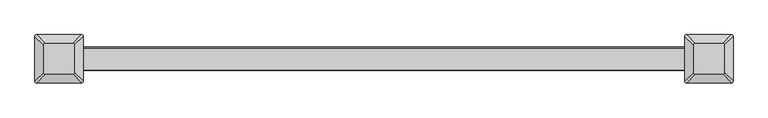
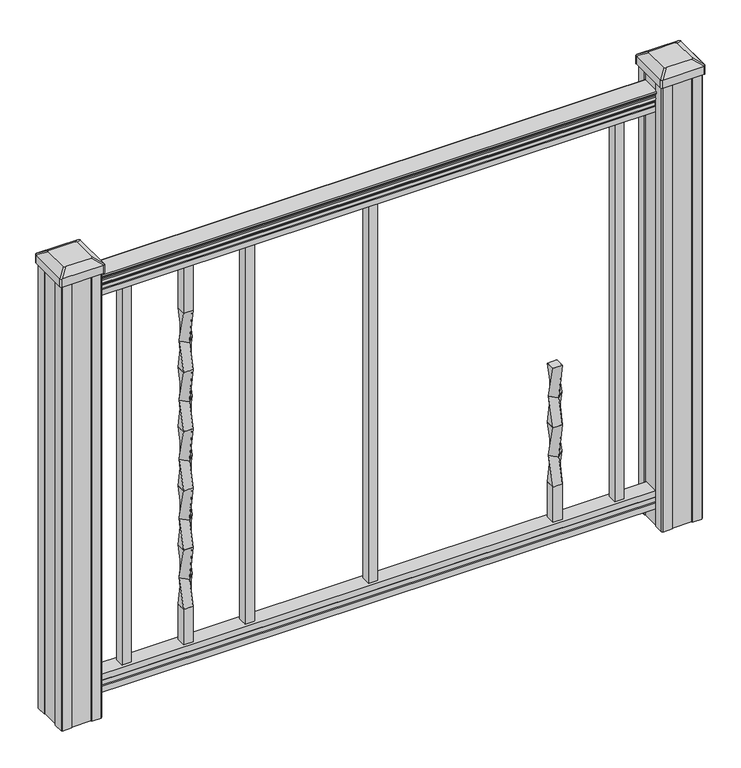
"""IFC4 building model written with IfcOpenShell, lengths in millimetres: proxy geometry."""

from ifc_helpers import new_model, si_unit, point, frame, frame_2d, origin, place, context, project, spatial, polyline, circle_curve, trimmed, segment, composite_curve, outline, extrude, source, transform, mapped, element, save
from ifc_brep_helpers import plane_surface, extruded_surface, spline_surface, advanced_brep


def specialty_equipment_335144c7(model_context):
    return source(origin(), model_context, "Body", "SolidModel", [
        advanced_brep(
        [(365.521875, 9.525, 431.8), (365.521875, -9.525, 431.8), (384.571875, -9.525, 431.8), (384.571875, 9.525, 431.8), (375.046875, 13.4703842, 368.3), (388.5172592, 0.0, 368.3), (375.046875, -13.4703842, 368.3), (361.5764908, 0.0, 368.3)],
        [
            (0, 1),
            (1, 2),
            (2, 3),
            (3, 0),
            (4, 5),
            (5, 6),
            (6, 7),
            (7, 4),
            (4, 0),
            (3, 5),
            (2, 6),
            (1, 7),
        ],
        [
            plane_surface(frame((375.046875, 0.0, 431.8), z_axis=(0.0, 0.0, 1.0), x_axis=(0.0, -1.0, 0.0))),
            plane_surface(frame((375.046875, 0.0, 368.3), z_axis=(0.0, 0.0, -1.0), x_axis=(0.0, -1.0, 0.0))),
            spline_surface(1, 1, [[(388.5172592, 0.0, 368.3), (384.571875, 9.525, 431.8)], [(375.046875, 13.4703842, 368.3), (365.521875, 9.525, 431.8)]], [2, 2], [2, 2], [0.0, 1.0], [0.0, 1.0]),
            spline_surface(1, 1, [[(375.046875, -13.4703842, 368.3), (384.571875, -9.525, 431.8)], [(388.5172592, 0.0, 368.3), (384.571875, 9.525, 431.8)]], [2, 2], [2, 2], [0.0, 1.0], [0.0, 1.0]),
            spline_surface(1, 1, [[(361.5764908, 0.0, 368.3), (365.521875, -9.525, 431.8)], [(375.046875, -13.4703842, 368.3), (384.571875, -9.525, 431.8)]], [2, 2], [2, 2], [0.0, 1.0], [0.0, 1.0]),
            spline_surface(1, 1, [[(375.046875, 13.4703842, 368.3), (365.521875, 9.525, 431.8)], [(361.5764908, 0.0, 368.3), (365.521875, -9.525, 431.8)]], [2, 2], [2, 2], [0.0, 1.0], [0.0, 1.0]),
        ],
        [
            (0, [[1, 2, 3, 4]]),
            (1, [[5, 6, 7, 8]]),
            (2, [[-5, 9, -4, 10]]),
            (3, [[-6, -10, -3, 11]]),
            (4, [[-7, -11, -2, 12]]),
            (5, [[-8, -12, -1, -9]]),
        ],
    ),
        advanced_brep(
        [(375.046875, 13.4703842, 368.3), (361.5764908, 0.0, 368.3), (375.046875, -13.4703842, 368.3), (388.5172592, 0.0, 368.3), (365.521875, 9.525, 304.8), (384.571875, 9.525, 304.8), (384.571875, -9.525, 304.8), (365.521875, -9.525, 304.8)],
        [
            (0, 1),
            (1, 2),
            (2, 3),
            (3, 0),
            (4, 5),
            (5, 6),
            (6, 7),
            (7, 4),
            (4, 0),
            (3, 5),
            (2, 6),
            (1, 7),
        ],
        [
            plane_surface(frame((375.046875, 0.0, 368.3), z_axis=(0.0, 0.0, 1.0000000000000002), x_axis=(0.7071067811865481, -0.707106781186547, 0.0))),
            plane_surface(frame((375.046875, 0.0, 304.8), z_axis=(0.0, 0.0, -1.0000000000000002), x_axis=(0.7071067811865481, -0.707106781186547, 0.0))),
            spline_surface(1, 1, [[(384.571875, 9.525, 304.8), (388.5172592, 0.0, 368.3)], [(365.521875, 9.525, 304.8), (375.046875, 13.4703842, 368.3)]], [2, 2], [2, 2], [0.0, 1.0], [0.0, 1.0]),
            spline_surface(1, 1, [[(384.571875, -9.525, 304.8), (375.046875, -13.4703842, 368.3)], [(384.571875, 9.525, 304.8), (388.5172592, 0.0, 368.3)]], [2, 2], [2, 2], [0.0, 1.0], [0.0, 1.0]),
            spline_surface(1, 1, [[(365.521875, -9.525, 304.8), (361.5764908, 0.0, 368.3)], [(384.571875, -9.525, 304.8), (375.046875, -13.4703842, 368.3)]], [2, 2], [2, 2], [0.0, 1.0], [0.0, 1.0]),
            spline_surface(1, 1, [[(365.521875, 9.525, 304.8), (375.046875, 13.4703842, 368.3)], [(365.521875, -9.525, 304.8), (361.5764908, 0.0, 368.3)]], [2, 2], [2, 2], [0.0, 1.0], [0.0, 1.0]),
        ],
        [
            (0, [[1, 2, 3, 4]]),
            (1, [[5, 6, 7, 8]]),
            (2, [[-5, 9, -4, 10]]),
            (3, [[-6, -10, -3, 11]]),
            (4, [[-7, -11, -2, 12]]),
            (5, [[-8, -12, -1, -9]]),
        ],
    ),
        advanced_brep(
        [(365.521875, 9.525, 304.8), (365.521875, -9.525, 304.8), (384.571875, -9.525, 304.8), (384.571875, 9.525, 304.8), (375.046875, 13.4703842, 241.3), (388.5172592, 0.0, 241.3), (375.046875, -13.4703842, 241.3), (361.5764908, 0.0, 241.3)],
        [
            (0, 1),
            (1, 2),
            (2, 3),
            (3, 0),
            (4, 5),
            (5, 6),
            (6, 7),
            (7, 4),
            (4, 0),
            (3, 5),
            (2, 6),
            (1, 7),
        ],
        [
            plane_surface(frame((375.046875, 0.0, 304.8), z_axis=(0.0, 0.0, 1.0), x_axis=(0.0, -1.0, 0.0))),
            plane_surface(frame((375.046875, 0.0, 241.3), z_axis=(0.0, 0.0, -1.0), x_axis=(0.0, -1.0, 0.0))),
            spline_surface(1, 1, [[(388.5172592, 0.0, 241.3), (384.571875, 9.525, 304.8)], [(375.046875, 13.4703842, 241.3), (365.521875, 9.525, 304.8)]], [2, 2], [2, 2], [0.0, 1.0], [0.0, 1.0]),
            spline_surface(1, 1, [[(375.046875, -13.4703842, 241.3), (384.571875, -9.525, 304.8)], [(388.5172592, 0.0, 241.3), (384.571875, 9.525, 304.8)]], [2, 2], [2, 2], [0.0, 1.0], [0.0, 1.0]),
            spline_surface(1, 1, [[(361.5764908, 0.0, 241.3), (365.521875, -9.525, 304.8)], [(375.046875, -13.4703842, 241.3), (384.571875, -9.525, 304.8)]], [2, 2], [2, 2], [0.0, 1.0], [0.0, 1.0]),
            spline_surface(1, 1, [[(375.046875, 13.4703842, 241.3), (365.521875, 9.525, 304.8)], [(361.5764908, 0.0, 241.3), (365.521875, -9.525, 304.8)]], [2, 2], [2, 2], [0.0, 1.0], [0.0, 1.0]),
        ],
        [
            (0, [[1, 2, 3, 4]]),
            (1, [[5, 6, 7, 8]]),
            (2, [[-5, 9, -4, 10]]),
            (3, [[-6, -10, -3, 11]]),
            (4, [[-7, -11, -2, 12]]),
            (5, [[-8, -12, -1, -9]]),
        ],
    ),
        advanced_brep(
        [(375.046875, 13.4703842, 241.3), (361.5764908, 0.0, 241.3), (375.046875, -13.4703842, 241.3), (388.5172592, 0.0, 241.3), (365.521875, 9.525, 177.8), (384.571875, 9.525, 177.8), (384.571875, -9.525, 177.8), (365.521875, -9.525, 177.8)],
        [
            (0, 1),
            (1, 2),
            (2, 3),
            (3, 0),
            (4, 5),
            (5, 6),
            (6, 7),
            (7, 4),
            (4, 0),
            (3, 5),
            (2, 6),
            (1, 7),
        ],
        [
            plane_surface(frame((375.046875, 0.0, 241.3), z_axis=(0.0, 0.0, 1.0000000000000002), x_axis=(0.7071067811865481, -0.707106781186547, 0.0))),
            plane_surface(frame((375.046875, 0.0, 177.8), z_axis=(0.0, 0.0, -1.0000000000000002), x_axis=(0.7071067811865481, -0.707106781186547, 0.0))),
            spline_surface(1, 1, [[(384.571875, 9.525, 177.8), (388.5172592, 0.0, 241.3)], [(365.521875, 9.525, 177.8), (375.046875, 13.4703842, 241.3)]], [2, 2], [2, 2], [0.0, 1.0], [0.0, 1.0]),
            spline_surface(1, 1, [[(384.571875, -9.525, 177.8), (375.046875, -13.4703842, 241.3)], [(384.571875, 9.525, 177.8), (388.5172592, 0.0, 241.3)]], [2, 2], [2, 2], [0.0, 1.0], [0.0, 1.0]),
            spline_surface(1, 1, [[(365.521875, -9.525, 177.8), (361.5764908, 0.0, 241.3)], [(384.571875, -9.525, 177.8), (375.046875, -13.4703842, 241.3)]], [2, 2], [2, 2], [0.0, 1.0], [0.0, 1.0]),
            spline_surface(1, 1, [[(365.521875, 9.525, 177.8), (375.046875, 13.4703842, 241.3)], [(365.521875, -9.525, 177.8), (361.5764908, 0.0, 241.3)]], [2, 2], [2, 2], [0.0, 1.0], [0.0, 1.0]),
        ],
        [
            (0, [[1, 2, 3, 4]]),
            (1, [[5, 6, 7, 8]]),
            (2, [[-5, 9, -4, 10]]),
            (3, [[-6, -10, -3, 11]]),
            (4, [[-7, -11, -2, 12]]),
            (5, [[-8, -12, -1, -9]]),
        ],
    ),
        extrude(outline(polyline([(384.571875, 9.525), (384.571875, -9.525), (365.521875, -9.525), (365.521875, 9.525), (384.571875, 9.525)])), frame((0.0, 0.0, 101.6), z_axis=(0.0, 0.0, 1.0), x_axis=(1.0, 0.0, 0.0)), (0.0, 0.0, 1.0), 76.2),
        extrude(outline(polyline([(-365.521875, 9.525), (-365.521875, -9.525), (-384.571875, -9.525), (-384.571875, 9.525), (-365.521875, 9.525)])), frame((0.0, 0.0, 812.8), z_axis=(0.0, 0.0, 1.0), x_axis=(1.0, 0.0, 0.0)), (0.0, 0.0, 1.0), 101.6),
        advanced_brep(
        [(-384.571875, 9.525, 812.8), (-384.571875, -9.525, 812.8), (-365.521875, -9.525, 812.8), (-365.521875, 9.525, 812.8), (-375.046875, 13.4703842, 749.3), (-361.5764908, 0.0, 749.3), (-375.046875, -13.4703842, 749.3), (-388.5172592, 0.0, 749.3)],
        [
            (0, 1),
            (1, 2),
            (2, 3),
            (3, 0),
            (4, 5),
            (5, 6),
            (6, 7),
            (7, 4),
            (4, 0),
            (3, 5),
            (2, 6),
            (1, 7),
        ],
        [
            plane_surface(frame((-375.046875, 0.0, 812.8), z_axis=(0.0, 0.0, 1.0), x_axis=(0.0, -1.0, 0.0))),
            plane_surface(frame((-375.046875, 0.0, 749.3), z_axis=(0.0, 0.0, -1.0), x_axis=(0.0, -1.0, 0.0))),
            spline_surface(1, 1, [[(-361.5764908, 0.0, 749.3), (-365.521875, 9.525, 812.8)], [(-375.046875, 13.4703842, 749.3), (-384.571875, 9.525, 812.8)]], [2, 2], [2, 2], [0.0, 1.0], [0.0, 1.0]),
            spline_surface(1, 1, [[(-375.046875, -13.4703842, 749.3), (-365.521875, -9.525, 812.8)], [(-361.5764908, 0.0, 749.3), (-365.521875, 9.525, 812.8)]], [2, 2], [2, 2], [0.0, 1.0], [0.0, 1.0]),
            spline_surface(1, 1, [[(-388.5172592, 0.0, 749.3), (-384.571875, -9.525, 812.8)], [(-375.046875, -13.4703842, 749.3), (-365.521875, -9.525, 812.8)]], [2, 2], [2, 2], [0.0, 1.0], [0.0, 1.0]),
            spline_surface(1, 1, [[(-375.046875, 13.4703842, 749.3), (-384.571875, 9.525, 812.8)], [(-388.5172592, 0.0, 749.3), (-384.571875, -9.525, 812.8)]], [2, 2], [2, 2], [0.0, 1.0], [0.0, 1.0]),
        ],
        [
            (0, [[1, 2, 3, 4]]),
            (1, [[5, 6, 7, 8]]),
            (2, [[-5, 9, -4, 10]]),
            (3, [[-6, -10, -3, 11]]),
            (4, [[-7, -11, -2, 12]]),
            (5, [[-8, -12, -1, -9]]),
        ],
    ),
        advanced_brep(
        [(-375.046875, 13.4703842, 749.3), (-388.5172592, 0.0, 749.3), (-375.046875, -13.4703842, 749.3), (-361.5764908, 0.0, 749.3), (-384.571875, 9.525, 685.8), (-365.521875, 9.525, 685.8), (-365.521875, -9.525, 685.8), (-384.571875, -9.525, 685.8)],
        [
            (0, 1),
            (1, 2),
            (2, 3),
            (3, 0),
            (4, 5),
            (5, 6),
            (6, 7),
            (7, 4),
            (4, 0),
            (3, 5),
            (2, 6),
            (1, 7),
        ],
        [
            plane_surface(frame((-375.046875, 0.0, 749.3), z_axis=(0.0, 0.0, 1.0000000000000002), x_axis=(0.7071067811865481, -0.707106781186547, 0.0))),
            plane_surface(frame((-375.046875, 0.0, 685.8), z_axis=(0.0, 0.0, -1.0000000000000002), x_axis=(0.7071067811865481, -0.707106781186547, 0.0))),
            spline_surface(1, 1, [[(-365.521875, 9.525, 685.8), (-361.5764908, 0.0, 749.3)], [(-384.571875, 9.525, 685.8), (-375.046875, 13.4703842, 749.3)]], [2, 2], [2, 2], [0.0, 1.0], [0.0, 1.0]),
            spline_surface(1, 1, [[(-365.521875, -9.525, 685.8), (-375.046875, -13.4703842, 749.3)], [(-365.521875, 9.525, 685.8), (-361.5764908, 0.0, 749.3)]], [2, 2], [2, 2], [0.0, 1.0], [0.0, 1.0]),
            spline_surface(1, 1, [[(-384.571875, -9.525, 685.8), (-388.5172592, 0.0, 749.3)], [(-365.521875, -9.525, 685.8), (-375.046875, -13.4703842, 749.3)]], [2, 2], [2, 2], [0.0, 1.0], [0.0, 1.0]),
            spline_surface(1, 1, [[(-384.571875, 9.525, 685.8), (-375.046875, 13.4703842, 749.3)], [(-384.571875, -9.525, 685.8), (-388.5172592, 0.0, 749.3)]], [2, 2], [2, 2], [0.0, 1.0], [0.0, 1.0]),
        ],
        [
            (0, [[1, 2, 3, 4]]),
            (1, [[5, 6, 7, 8]]),
            (2, [[-5, 9, -4, 10]]),
            (3, [[-6, -10, -3, 11]]),
            (4, [[-7, -11, -2, 12]]),
            (5, [[-8, -12, -1, -9]]),
        ],
    ),
        advanced_brep(
        [(-384.571875, 9.525, 685.8), (-384.571875, -9.525, 685.8), (-365.521875, -9.525, 685.8), (-365.521875, 9.525, 685.8), (-375.046875, 13.4703842, 622.3), (-361.5764908, 0.0, 622.3), (-375.046875, -13.4703842, 622.3), (-388.5172592, 0.0, 622.3)],
        [
            (0, 1),
            (1, 2),
            (2, 3),
            (3, 0),
            (4, 5),
            (5, 6),
            (6, 7),
            (7, 4),
            (4, 0),
            (3, 5),
            (2, 6),
            (1, 7),
        ],
        [
            plane_surface(frame((-375.046875, 0.0, 685.8), z_axis=(0.0, 0.0, 1.0), x_axis=(0.0, -1.0, 0.0))),
            plane_surface(frame((-375.046875, 0.0, 622.3), z_axis=(0.0, 0.0, -1.0), x_axis=(0.0, -1.0, 0.0))),
            spline_surface(1, 1, [[(-361.5764908, 0.0, 622.3), (-365.521875, 9.525, 685.8)], [(-375.046875, 13.4703842, 622.3), (-384.571875, 9.525, 685.8)]], [2, 2], [2, 2], [0.0, 1.0], [0.0, 1.0]),
            spline_surface(1, 1, [[(-375.046875, -13.4703842, 622.3), (-365.521875, -9.525, 685.8)], [(-361.5764908, 0.0, 622.3), (-365.521875, 9.525, 685.8)]], [2, 2], [2, 2], [0.0, 1.0], [0.0, 1.0]),
            spline_surface(1, 1, [[(-388.5172592, 0.0, 622.3), (-384.571875, -9.525, 685.8)], [(-375.046875, -13.4703842, 622.3), (-365.521875, -9.525, 685.8)]], [2, 2], [2, 2], [0.0, 1.0], [0.0, 1.0]),
            spline_surface(1, 1, [[(-375.046875, 13.4703842, 622.3), (-384.571875, 9.525, 685.8)], [(-388.5172592, 0.0, 622.3), (-384.571875, -9.525, 685.8)]], [2, 2], [2, 2], [0.0, 1.0], [0.0, 1.0]),
        ],
        [
            (0, [[1, 2, 3, 4]]),
            (1, [[5, 6, 7, 8]]),
            (2, [[-5, 9, -4, 10]]),
            (3, [[-6, -10, -3, 11]]),
            (4, [[-7, -11, -2, 12]]),
            (5, [[-8, -12, -1, -9]]),
        ],
    ),
        advanced_brep(
        [(-375.046875, 13.4703842, 622.3), (-388.5172592, 0.0, 622.3), (-375.046875, -13.4703842, 622.3), (-361.5764908, 0.0, 622.3), (-384.571875, 9.525, 558.8), (-365.521875, 9.525, 558.8), (-365.521875, -9.525, 558.8), (-384.571875, -9.525, 558.8)],
        [
            (0, 1),
            (1, 2),
            (2, 3),
            (3, 0),
            (4, 5),
            (5, 6),
            (6, 7),
            (7, 4),
            (4, 0),
            (3, 5),
            (2, 6),
            (1, 7),
        ],
        [
            plane_surface(frame((-375.046875, 0.0, 622.3), z_axis=(0.0, 0.0, 1.0000000000000002), x_axis=(0.7071067811865481, -0.707106781186547, 0.0))),
            plane_surface(frame((-375.046875, 0.0, 558.8), z_axis=(0.0, 0.0, -1.0000000000000002), x_axis=(0.7071067811865481, -0.707106781186547, 0.0))),
            spline_surface(1, 1, [[(-365.521875, 9.525, 558.8), (-361.5764908, 0.0, 622.3)], [(-384.571875, 9.525, 558.8), (-375.046875, 13.4703842, 622.3)]], [2, 2], [2, 2], [0.0, 1.0], [0.0, 1.0]),
            spline_surface(1, 1, [[(-365.521875, -9.525, 558.8), (-375.046875, -13.4703842, 622.3)], [(-365.521875, 9.525, 558.8), (-361.5764908, 0.0, 622.3)]], [2, 2], [2, 2], [0.0, 1.0], [0.0, 1.0]),
            spline_surface(1, 1, [[(-384.571875, -9.525, 558.8), (-388.5172592, 0.0, 622.3)], [(-365.521875, -9.525, 558.8), (-375.046875, -13.4703842, 622.3)]], [2, 2], [2, 2], [0.0, 1.0], [0.0, 1.0]),
            spline_surface(1, 1, [[(-384.571875, 9.525, 558.8), (-375.046875, 13.4703842, 622.3)], [(-384.571875, -9.525, 558.8), (-388.5172592, 0.0, 622.3)]], [2, 2], [2, 2], [0.0, 1.0], [0.0, 1.0]),
        ],
        [
            (0, [[1, 2, 3, 4]]),
            (1, [[5, 6, 7, 8]]),
            (2, [[-5, 9, -4, 10]]),
            (3, [[-6, -10, -3, 11]]),
            (4, [[-7, -11, -2, 12]]),
            (5, [[-8, -12, -1, -9]]),
        ],
    ),
        advanced_brep(
        [(-384.571875, 9.525, 558.8), (-384.571875, -9.525, 558.8), (-365.521875, -9.525, 558.8), (-365.521875, 9.525, 558.8), (-375.046875, 13.4703842, 495.3), (-361.5764908, 0.0, 495.3), (-375.046875, -13.4703842, 495.3), (-388.5172592, 0.0, 495.3)],
        [
            (0, 1),
            (1, 2),
            (2, 3),
            (3, 0),
            (4, 5),
            (5, 6),
            (6, 7),
            (7, 4),
            (4, 0),
            (3, 5),
            (2, 6),
            (1, 7),
        ],
        [
            plane_surface(frame((-375.046875, 0.0, 558.8), z_axis=(0.0, 0.0, 1.0), x_axis=(0.0, -1.0, 0.0))),
            plane_surface(frame((-375.046875, 0.0, 495.3), z_axis=(0.0, 0.0, -1.0), x_axis=(0.0, -1.0, 0.0))),
            spline_surface(1, 1, [[(-361.5764908, 0.0, 495.3), (-365.521875, 9.525, 558.8)], [(-375.046875, 13.4703842, 495.3), (-384.571875, 9.525, 558.8)]], [2, 2], [2, 2], [0.0, 1.0], [0.0, 1.0]),
            spline_surface(1, 1, [[(-375.046875, -13.4703842, 495.3), (-365.521875, -9.525, 558.8)], [(-361.5764908, 0.0, 495.3), (-365.521875, 9.525, 558.8)]], [2, 2], [2, 2], [0.0, 1.0], [0.0, 1.0]),
            spline_surface(1, 1, [[(-388.5172592, 0.0, 495.3), (-384.571875, -9.525, 558.8)], [(-375.046875, -13.4703842, 495.3), (-365.521875, -9.525, 558.8)]], [2, 2], [2, 2], [0.0, 1.0], [0.0, 1.0]),
            spline_surface(1, 1, [[(-375.046875, 13.4703842, 495.3), (-384.571875, 9.525, 558.8)], [(-388.5172592, 0.0, 495.3), (-384.571875, -9.525, 558.8)]], [2, 2], [2, 2], [0.0, 1.0], [0.0, 1.0]),
        ],
        [
            (0, [[1, 2, 3, 4]]),
            (1, [[5, 6, 7, 8]]),
            (2, [[-5, 9, -4, 10]]),
            (3, [[-6, -10, -3, 11]]),
            (4, [[-7, -11, -2, 12]]),
            (5, [[-8, -12, -1, -9]]),
        ],
    ),
        advanced_brep(
        [(-375.046875, 13.4703842, 495.3), (-388.5172592, 0.0, 495.3), (-375.046875, -13.4703842, 495.3), (-361.5764908, 0.0, 495.3), (-384.571875, 9.525, 431.8), (-365.521875, 9.525, 431.8), (-365.521875, -9.525, 431.8), (-384.571875, -9.525, 431.8)],
        [
            (0, 1),
            (1, 2),
            (2, 3),
            (3, 0),
            (4, 5),
            (5, 6),
            (6, 7),
            (7, 4),
            (4, 0),
            (3, 5),
            (2, 6),
            (1, 7),
        ],
        [
            plane_surface(frame((-375.046875, 0.0, 495.3), z_axis=(0.0, 0.0, 1.0000000000000002), x_axis=(0.7071067811865481, -0.707106781186547, 0.0))),
            plane_surface(frame((-375.046875, 0.0, 431.8), z_axis=(0.0, 0.0, -1.0000000000000002), x_axis=(0.7071067811865481, -0.707106781186547, 0.0))),
            spline_surface(1, 1, [[(-365.521875, 9.525, 431.8), (-361.5764908, 0.0, 495.3)], [(-384.571875, 9.525, 431.8), (-375.046875, 13.4703842, 495.3)]], [2, 2], [2, 2], [0.0, 1.0], [0.0, 1.0]),
            spline_surface(1, 1, [[(-365.521875, -9.525, 431.8), (-375.046875, -13.4703842, 495.3)], [(-365.521875, 9.525, 431.8), (-361.5764908, 0.0, 495.3)]], [2, 2], [2, 2], [0.0, 1.0], [0.0, 1.0]),
            spline_surface(1, 1, [[(-384.571875, -9.525, 431.8), (-388.5172592, 0.0, 495.3)], [(-365.521875, -9.525, 431.8), (-375.046875, -13.4703842, 495.3)]], [2, 2], [2, 2], [0.0, 1.0], [0.0, 1.0]),
            spline_surface(1, 1, [[(-384.571875, 9.525, 431.8), (-375.046875, 13.4703842, 495.3)], [(-384.571875, -9.525, 431.8), (-388.5172592, 0.0, 495.3)]], [2, 2], [2, 2], [0.0, 1.0], [0.0, 1.0]),
        ],
        [
            (0, [[1, 2, 3, 4]]),
            (1, [[5, 6, 7, 8]]),
            (2, [[-5, 9, -4, 10]]),
            (3, [[-6, -10, -3, 11]]),
            (4, [[-7, -11, -2, 12]]),
            (5, [[-8, -12, -1, -9]]),
        ],
    ),
        advanced_brep(
        [(-384.571875, 9.525, 431.8), (-384.571875, -9.525, 431.8), (-365.521875, -9.525, 431.8), (-365.521875, 9.525, 431.8), (-375.046875, 13.4703842, 368.3), (-361.5764908, 0.0, 368.3), (-375.046875, -13.4703842, 368.3), (-388.5172592, 0.0, 368.3)],
        [
            (0, 1),
            (1, 2),
            (2, 3),
            (3, 0),
            (4, 5),
            (5, 6),
            (6, 7),
            (7, 4),
            (4, 0),
            (3, 5),
            (2, 6),
            (1, 7),
        ],
        [
            plane_surface(frame((-375.046875, 0.0, 431.8), z_axis=(0.0, 0.0, 1.0), x_axis=(0.0, -1.0, 0.0))),
            plane_surface(frame((-375.046875, 0.0, 368.3), z_axis=(0.0, 0.0, -1.0), x_axis=(0.0, -1.0, 0.0))),
            spline_surface(1, 1, [[(-361.5764908, 0.0, 368.3), (-365.521875, 9.525, 431.8)], [(-375.046875, 13.4703842, 368.3), (-384.571875, 9.525, 431.8)]], [2, 2], [2, 2], [0.0, 1.0], [0.0, 1.0]),
            spline_surface(1, 1, [[(-375.046875, -13.4703842, 368.3), (-365.521875, -9.525, 431.8)], [(-361.5764908, 0.0, 368.3), (-365.521875, 9.525, 431.8)]], [2, 2], [2, 2], [0.0, 1.0], [0.0, 1.0]),
            spline_surface(1, 1, [[(-388.5172592, 0.0, 368.3), (-384.571875, -9.525, 431.8)], [(-375.046875, -13.4703842, 368.3), (-365.521875, -9.525, 431.8)]], [2, 2], [2, 2], [0.0, 1.0], [0.0, 1.0]),
            spline_surface(1, 1, [[(-375.046875, 13.4703842, 368.3), (-384.571875, 9.525, 431.8)], [(-388.5172592, 0.0, 368.3), (-384.571875, -9.525, 431.8)]], [2, 2], [2, 2], [0.0, 1.0], [0.0, 1.0]),
        ],
        [
            (0, [[1, 2, 3, 4]]),
            (1, [[5, 6, 7, 8]]),
            (2, [[-5, 9, -4, 10]]),
            (3, [[-6, -10, -3, 11]]),
            (4, [[-7, -11, -2, 12]]),
            (5, [[-8, -12, -1, -9]]),
        ],
    ),
        advanced_brep(
        [(-375.046875, 13.4703842, 368.3), (-388.5172592, 0.0, 368.3), (-375.046875, -13.4703842, 368.3), (-361.5764908, 0.0, 368.3), (-384.571875, 9.525, 304.8), (-365.521875, 9.525, 304.8), (-365.521875, -9.525, 304.8), (-384.571875, -9.525, 304.8)],
        [
            (0, 1),
            (1, 2),
            (2, 3),
            (3, 0),
            (4, 5),
            (5, 6),
            (6, 7),
            (7, 4),
            (4, 0),
            (3, 5),
            (2, 6),
            (1, 7),
        ],
        [
            plane_surface(frame((-375.046875, 0.0, 368.3), z_axis=(0.0, 0.0, 1.0000000000000002), x_axis=(0.7071067811865481, -0.707106781186547, 0.0))),
            plane_surface(frame((-375.046875, 0.0, 304.8), z_axis=(0.0, 0.0, -1.0000000000000002), x_axis=(0.7071067811865481, -0.707106781186547, 0.0))),
            spline_surface(1, 1, [[(-365.521875, 9.525, 304.8), (-361.5764908, 0.0, 368.3)], [(-384.571875, 9.525, 304.8), (-375.046875, 13.4703842, 368.3)]], [2, 2], [2, 2], [0.0, 1.0], [0.0, 1.0]),
            spline_surface(1, 1, [[(-365.521875, -9.525, 304.8), (-375.046875, -13.4703842, 368.3)], [(-365.521875, 9.525, 304.8), (-361.5764908, 0.0, 368.3)]], [2, 2], [2, 2], [0.0, 1.0], [0.0, 1.0]),
            spline_surface(1, 1, [[(-384.571875, -9.525, 304.8), (-388.5172592, 0.0, 368.3)], [(-365.521875, -9.525, 304.8), (-375.046875, -13.4703842, 368.3)]], [2, 2], [2, 2], [0.0, 1.0], [0.0, 1.0]),
            spline_surface(1, 1, [[(-384.571875, 9.525, 304.8), (-375.046875, 13.4703842, 368.3)], [(-384.571875, -9.525, 304.8), (-388.5172592, 0.0, 368.3)]], [2, 2], [2, 2], [0.0, 1.0], [0.0, 1.0]),
        ],
        [
            (0, [[1, 2, 3, 4]]),
            (1, [[5, 6, 7, 8]]),
            (2, [[-5, 9, -4, 10]]),
            (3, [[-6, -10, -3, 11]]),
            (4, [[-7, -11, -2, 12]]),
            (5, [[-8, -12, -1, -9]]),
        ],
    ),
        advanced_brep(
        [(-384.571875, 9.525, 304.8), (-384.571875, -9.525, 304.8), (-365.521875, -9.525, 304.8), (-365.521875, 9.525, 304.8), (-375.046875, 13.4703842, 241.3), (-361.5764908, 0.0, 241.3), (-375.046875, -13.4703842, 241.3), (-388.5172592, 0.0, 241.3)],
        [
            (0, 1),
            (1, 2),
            (2, 3),
            (3, 0),
            (4, 5),
            (5, 6),
            (6, 7),
            (7, 4),
            (4, 0),
            (3, 5),
            (2, 6),
            (1, 7),
        ],
        [
            plane_surface(frame((-375.046875, 0.0, 304.8), z_axis=(0.0, 0.0, 1.0), x_axis=(0.0, -1.0, 0.0))),
            plane_surface(frame((-375.046875, 0.0, 241.3), z_axis=(0.0, 0.0, -1.0), x_axis=(0.0, -1.0, 0.0))),
            spline_surface(1, 1, [[(-361.5764908, 0.0, 241.3), (-365.521875, 9.525, 304.8)], [(-375.046875, 13.4703842, 241.3), (-384.571875, 9.525, 304.8)]], [2, 2], [2, 2], [0.0, 1.0], [0.0, 1.0]),
            spline_surface(1, 1, [[(-375.046875, -13.4703842, 241.3), (-365.521875, -9.525, 304.8)], [(-361.5764908, 0.0, 241.3), (-365.521875, 9.525, 304.8)]], [2, 2], [2, 2], [0.0, 1.0], [0.0, 1.0]),
            spline_surface(1, 1, [[(-388.5172592, 0.0, 241.3), (-384.571875, -9.525, 304.8)], [(-375.046875, -13.4703842, 241.3), (-365.521875, -9.525, 304.8)]], [2, 2], [2, 2], [0.0, 1.0], [0.0, 1.0]),
            spline_surface(1, 1, [[(-375.046875, 13.4703842, 241.3), (-384.571875, 9.525, 304.8)], [(-388.5172592, 0.0, 241.3), (-384.571875, -9.525, 304.8)]], [2, 2], [2, 2], [0.0, 1.0], [0.0, 1.0]),
        ],
        [
            (0, [[1, 2, 3, 4]]),
            (1, [[5, 6, 7, 8]]),
            (2, [[-5, 9, -4, 10]]),
            (3, [[-6, -10, -3, 11]]),
            (4, [[-7, -11, -2, 12]]),
            (5, [[-8, -12, -1, -9]]),
        ],
    ),
        advanced_brep(
        [(-375.046875, 13.4703842, 241.3), (-388.5172592, 0.0, 241.3), (-375.046875, -13.4703842, 241.3), (-361.5764908, 0.0, 241.3), (-384.571875, 9.525, 177.8), (-365.521875, 9.525, 177.8), (-365.521875, -9.525, 177.8), (-384.571875, -9.525, 177.8)],
        [
            (0, 1),
            (1, 2),
            (2, 3),
            (3, 0),
            (4, 5),
            (5, 6),
            (6, 7),
            (7, 4),
            (4, 0),
            (3, 5),
            (2, 6),
            (1, 7),
        ],
        [
            plane_surface(frame((-375.046875, 0.0, 241.3), z_axis=(0.0, 0.0, 1.0000000000000002), x_axis=(0.7071067811865481, -0.707106781186547, 0.0))),
            plane_surface(frame((-375.046875, 0.0, 177.8), z_axis=(0.0, 0.0, -1.0000000000000002), x_axis=(0.7071067811865481, -0.707106781186547, 0.0))),
            spline_surface(1, 1, [[(-365.521875, 9.525, 177.8), (-361.5764908, 0.0, 241.3)], [(-384.571875, 9.525, 177.8), (-375.046875, 13.4703842, 241.3)]], [2, 2], [2, 2], [0.0, 1.0], [0.0, 1.0]),
            spline_surface(1, 1, [[(-365.521875, -9.525, 177.8), (-375.046875, -13.4703842, 241.3)], [(-365.521875, 9.525, 177.8), (-361.5764908, 0.0, 241.3)]], [2, 2], [2, 2], [0.0, 1.0], [0.0, 1.0]),
            spline_surface(1, 1, [[(-384.571875, -9.525, 177.8), (-388.5172592, 0.0, 241.3)], [(-365.521875, -9.525, 177.8), (-375.046875, -13.4703842, 241.3)]], [2, 2], [2, 2], [0.0, 1.0], [0.0, 1.0]),
            spline_surface(1, 1, [[(-384.571875, 9.525, 177.8), (-375.046875, 13.4703842, 241.3)], [(-384.571875, -9.525, 177.8), (-388.5172592, 0.0, 241.3)]], [2, 2], [2, 2], [0.0, 1.0], [0.0, 1.0]),
        ],
        [
            (0, [[1, 2, 3, 4]]),
            (1, [[5, 6, 7, 8]]),
            (2, [[-5, 9, -4, 10]]),
            (3, [[-6, -10, -3, 11]]),
            (4, [[-7, -11, -2, 12]]),
            (5, [[-8, -12, -1, -9]]),
        ],
    ),
        extrude(outline(polyline([(-365.521875, 9.525), (-365.521875, -9.525), (-384.571875, -9.525), (-384.571875, 9.525), (-365.521875, 9.525)])), frame((0.0, 0.0, 101.6), z_axis=(0.0, 0.0, 1.0), x_axis=(1.0, 0.0, 0.0)), (0.0, 0.0, 1.0), 76.2),
        extrude(outline(composite_curve([segment(polyline([(938.4043297, 17.4328287), (940.292412, 17.4328287)]), True, "CONTINUOUS"), segment(trimmed(circle_curve(frame_2d((946.0506383, 11.1180755)), 8.545951), [point((940.292412, 17.4328287))], [point((941.8546695, 18.563015))], False, "CARTESIAN"), True, "CONTINUOUS"), segment(trimmed(circle_curve(frame_2d((945.4636577, 11.5551384)), 7.882584), [point((941.8546695, 18.563015))], [point((949.0726458, 18.563015))], False, "CARTESIAN"), True, "CONTINUOUS"), segment(trimmed(circle_curve(frame_2d((951.3112527, 22.0684625)), 4.1592695), [point((949.0726458, 18.563015))], [point((951.5060812, 17.9137586))], True, "CARTESIAN"), True, "CONTINUOUS"), segment(trimmed(circle_curve(frame_2d((951.2508864, 23.3557691)), 5.4479907), [point((951.5060812, 17.9137586))], [point((955.8362083, 20.4137586))], True, "CARTESIAN"), True, "CONTINUOUS"), segment(trimmed(circle_curve(frame_2d((955.833395, 22.1226107)), 1.7088543), [point((955.8362083, 20.4137586))], [point((957.5157972, 21.8231011))], True, "CARTESIAN"), True, "CONTINUOUS"), segment(trimmed(circle_curve(frame_2d((958.6205318, 20.5057106)), 1.7192895), [point((957.5157972, 21.8231011))], [point((958.6205318, 22.2250001))], False, "CARTESIAN"), True, "CONTINUOUS"), segment(polyline([(958.6205318, 22.2250001), (959.9608158, 22.225)]), True, "CONTINUOUS"), segment(trimmed(circle_curve(frame_2d((959.9608158, 20.6715528)), 1.5534472), [point((959.9608158, 22.225))], [point((961.514263, 20.6715528))], False, "CARTESIAN"), True, "CONTINUOUS"), segment(polyline([(961.514263, 20.6715528), (961.514263, -20.6715528)]), True, "CONTINUOUS"), segment(trimmed(circle_curve(frame_2d((959.9608158, -20.6715528)), 1.5534472), [point((961.514263, -20.6715528))], [point((959.9608158, -22.225))], False, "CARTESIAN"), True, "CONTINUOUS"), segment(polyline([(959.9608158, -22.225), (958.6205318, -22.225)]), True, "CONTINUOUS"), segment(trimmed(circle_curve(frame_2d((958.6205318, -20.5057106)), 1.7192895), [point((958.6205318, -22.225))], [point((957.5157972, -21.8231011))], False, "CARTESIAN"), True, "CONTINUOUS"), segment(trimmed(circle_curve(frame_2d((955.833395, -22.1226107)), 1.7088543), [point((957.5157972, -21.8231011))], [point((955.8362083, -20.4137586))], True, "CARTESIAN"), True, "CONTINUOUS"), segment(trimmed(circle_curve(frame_2d((951.2508864, -23.3557691)), 5.4479907), [point((955.8362083, -20.4137586))], [point((951.5060812, -17.9137586))], True, "CARTESIAN"), True, "CONTINUOUS"), segment(trimmed(circle_curve(frame_2d((951.3112527, -22.0684625)), 4.1592695), [point((951.5060812, -17.9137586))], [point((949.0726458, -18.563015))], True, "CARTESIAN"), True, "CONTINUOUS"), segment(trimmed(circle_curve(frame_2d((945.4636577, -11.5551384)), 7.882584), [point((949.0726458, -18.563015))], [point((941.8546695, -18.563015))], False, "CARTESIAN"), True, "CONTINUOUS"), segment(trimmed(circle_curve(frame_2d((946.0506383, -11.1180755)), 8.545951), [point((941.8546695, -18.563015))], [point((940.292412, -17.4328287))], False, "CARTESIAN"), True, "CONTINUOUS"), segment(polyline([(940.292412, -17.4328287), (938.4043297, -17.4328287)]), True, "CONTINUOUS"), segment(trimmed(circle_curve(frame_2d((938.4043297, -16.1459144)), 1.2869144), [point((938.4043297, -17.4328287))], [point((938.4043297, -14.859))], False, "CARTESIAN"), True, "CONTINUOUS"), segment(polyline([(938.4043297, -14.859), (927.9048283, -14.859), (926.8888283, -15.875), (914.4, -15.875), (914.4, 15.875), (926.731013, 15.875), (927.747013, 14.859), (938.4043297, 14.859)]), True, "CONTINUOUS"), segment(trimmed(circle_curve(frame_2d((938.4043297, 16.1459144)), 1.2869144), [point((938.4043297, 14.859))], [point((938.4043297, 17.4328287))], False, "CARTESIAN"), True, "CONTINUOUS")], self_intersect=False)), frame((609.6, 0.0, 0.0), z_axis=(-1.0, 0.0, 0.0), x_axis=(0.0, 0.0, 1.0)), (0.0, 0.0, 1.0), 1219.2),
        extrude(outline(polyline([(-15.9124869, 76.0541976), (-14.8964869, 77.3546183), (-14.8964869, 87.7141717), (-15.9124869, 89.0624492), (-15.9124869, 101.5958781), (15.8375131, 101.5958781), (15.8375131, 89.0458024), (14.8215131, 87.6975248), (14.8215131, 77.3858283), (15.8375131, 76.0375508), (15.8375131, 63.5), (-15.9124869, 63.5), (-15.9124869, 76.0541976)])), frame((-609.6, 0.0, 0.0), z_axis=(1.0, 0.0, 0.0), x_axis=(0.0, 1.0, 0.0)), (0.0, 0.0, 1.0), 1219.2),
        advanced_brep(
        [(583.803125, 28.971875, 1012.825), (580.628125, 25.796875, 1012.825), (580.628125, -25.796875, 1012.825), (583.803125, -28.971875, 1012.825), (635.396875, -28.971875, 1012.825), (638.571875, -25.796875, 1012.825), (638.571875, 25.796875, 1012.825), (635.396875, 28.971875, 1012.825), (567.53125, 45.24375, 1001.522), (651.66875, 45.24375, 1001.522), (654.84375, 42.06875, 1001.522), (654.84375, -42.06875, 1001.522), (651.66875, -45.24375, 1001.522), (567.53125, -45.24375, 1001.522), (564.35625, -42.06875, 1001.522), (564.35625, 42.06875, 1001.522)],
        [
            (0, 1, circle_curve(frame((583.803125, 25.796875, 1012.825), z_axis=(0.0, 0.0, 1.0), x_axis=(0.0, -1.0, 0.0)), 3.175)),
            (1, 2),
            (2, 3, circle_curve(frame((583.803125, -25.796875, 1012.825), z_axis=(0.0, 0.0, 1.0), x_axis=(0.0, -1.0, 0.0)), 3.175)),
            (3, 4),
            (4, 5, circle_curve(frame((635.396875, -25.796875, 1012.825), z_axis=(0.0, 0.0, 1.0), x_axis=(0.0, -1.0, 0.0)), 3.175)),
            (5, 6),
            (6, 7, circle_curve(frame((635.396875, 25.796875, 1012.825), z_axis=(0.0, 0.0, 1.0), x_axis=(0.0, -1.0, 0.0)), 3.175)),
            (7, 0),
            (8, 9),
            (9, 10, circle_curve(frame((651.66875, 42.06875, 1001.522), z_axis=(0.0, 0.0, -1.0), x_axis=(0.0, -1.0, 0.0)), 3.175)),
            (10, 11),
            (11, 12, circle_curve(frame((651.66875, -42.06875, 1001.522), z_axis=(0.0, 0.0, -1.0), x_axis=(0.0, -1.0, 0.0)), 3.175)),
            (12, 13),
            (13, 14, circle_curve(frame((567.53125, -42.06875, 1001.522), z_axis=(0.0, 0.0, -1.0), x_axis=(0.0, -1.0, 0.0)), 3.175)),
            (14, 15),
            (15, 8, circle_curve(frame((567.53125, 42.06875, 1001.522), z_axis=(0.0, 0.0, -1.0), x_axis=(0.0, -1.0, 0.0)), 3.175)),
            (15, 1),
            (0, 8),
            (14, 2),
            (13, 3),
            (12, 4),
            (11, 5),
            (10, 6),
            (9, 7),
        ],
        [
            plane_surface(frame((609.6, 0.0, 1012.825), z_axis=(0.0, 0.0, 1.0), x_axis=(-1.0, 0.0, 0.0))),
            plane_surface(frame((609.6, 0.0, 1001.522), z_axis=(0.0, 0.0, -1.0), x_axis=(-1.0, 0.0, 0.0))),
            extruded_surface(trimmed(circle_curve(frame((567.53125, 42.06875, 1001.522), z_axis=(0.0, 0.0, 1.0), x_axis=(0.0, -1.0, 0.0)), 3.175), [point((567.53125, 45.24375, 1001.522))], [point((564.35625, 42.06875, 1001.522))], True, "CARTESIAN"), (16.271875000000023, -16.271875, 11.302999999999997), 25.637972638866177),
            plane_surface(frame((564.35625, 0.0, 1001.522), z_axis=(-0.5705009161540779, 0.0, 0.8212969649690408), x_axis=(0.0, -1.0, 0.0))),
            extruded_surface(trimmed(circle_curve(frame((567.53125, -42.06875, 1001.522), z_axis=(0.0, 0.0, 1.0), x_axis=(0.0, -1.0, 0.0)), 3.175), [point((564.35625, -42.06875, 1001.522))], [point((567.53125, -45.24375, 1001.522))], True, "CARTESIAN"), (16.271875000000023, 16.271875, 11.302999999999997), 25.637972638866177),
            plane_surface(frame((609.6, -45.24375, 1001.522), z_axis=(0.0, -0.5705009161540291, 0.8212969649690747), x_axis=(1.0, 0.0, 0.0))),
            extruded_surface(trimmed(circle_curve(frame((651.66875, -42.06875, 1001.522), z_axis=(0.0, 0.0, 1.0), x_axis=(0.0, -1.0, 0.0)), 3.175), [point((651.66875, -45.24375, 1001.522))], [point((654.84375, -42.06875, 1001.522))], True, "CARTESIAN"), (-16.271875000000023, 16.271875, 11.302999999999997), 25.637972638866177),
            plane_surface(frame((654.84375, 0.0, 1001.522), z_axis=(0.5705009161540141, 0.0, 0.8212969649690851), x_axis=(0.0, 1.0, 0.0))),
            extruded_surface(trimmed(circle_curve(frame((651.66875, 42.06875, 1001.522), z_axis=(0.0, 0.0, 1.0), x_axis=(0.0, -1.0, 0.0)), 3.175), [point((654.84375, 42.06875, 1001.522))], [point((651.66875, 45.24375, 1001.522))], True, "CARTESIAN"), (-16.271875000000023, -16.271875, 11.302999999999997), 25.637972638866177),
            plane_surface(frame((609.6, 45.24375, 1001.522), z_axis=(0.0, 0.570500916154034, 0.8212969649690713), x_axis=(-1.0, 0.0, 0.0))),
        ],
        [
            (0, [[1, 2, 3, 4, 5, 6, 7, 8]]),
            (1, [[9, 10, 11, 12, 13, 14, 15, 16]]),
            (2, [[-16, 17, -1, 18]]),
            (3, [[-15, 19, -2, -17]]),
            (4, [[-14, 20, -3, -19]]),
            (5, [[-13, 21, -4, -20]]),
            (6, [[-12, 22, -5, -21]]),
            (7, [[-11, 23, -6, -22]]),
            (8, [[-10, 24, -7, -23]]),
            (9, [[-9, -18, -8, -24]]),
        ],
    ),
        extrude(outline(composite_curve([segment(polyline([(567.53125, 45.24375), (651.66875, 45.24375)]), True, "CONTINUOUS"), segment(trimmed(circle_curve(frame_2d((651.66875, 42.06875)), 3.175), [point((651.66875, 45.24375))], [point((654.84375, 42.06875))], False, "CARTESIAN"), True, "CONTINUOUS"), segment(polyline([(654.84375, 42.06875), (654.84375, -42.06875)]), True, "CONTINUOUS"), segment(trimmed(circle_curve(frame_2d((651.66875, -42.06875)), 3.175), [point((654.84375, -42.06875))], [point((651.66875, -45.24375))], False, "CARTESIAN"), True, "CONTINUOUS"), segment(polyline([(651.66875, -45.24375), (567.53125, -45.24375)]), True, "CONTINUOUS"), segment(trimmed(circle_curve(frame_2d((567.53125, -42.06875)), 3.175), [point((567.53125, -45.24375))], [point((564.35625, -42.06875))], False, "CARTESIAN"), True, "CONTINUOUS"), segment(polyline([(564.35625, -42.06875), (564.35625, 42.06875)]), True, "CONTINUOUS"), segment(trimmed(circle_curve(frame_2d((567.53125, 42.06875)), 3.175), [point((564.35625, 42.06875))], [point((567.53125, 45.24375))], False, "CARTESIAN"), True, "CONTINUOUS")], self_intersect=False)), frame((0.0, 0.0, 984.25), z_axis=(0.0, 0.0, 1.0), x_axis=(1.0, 0.0, 0.0)), (0.0, 0.0, 1.0), 17.272),
        extrude(outline(polyline([(569.9125, 41.275), (589.534, 41.275), (590.296, 39.6875), (628.904, 39.6875), (629.666, 41.275), (649.2875, 41.275), (650.875, 39.6875), (650.875, 20.066), (649.2875, 19.304), (649.2875, -19.304), (650.875, -20.066), (650.875, -39.6875), (649.2875, -41.275), (629.666, -41.275), (628.904, -39.6875), (590.296, -39.6875), (589.534, -41.275), (569.9125, -41.275), (568.325, -39.6875), (568.325, -20.066), (569.9125, -19.304), (569.9125, 19.304), (568.325, 20.066), (568.325, 39.6875), (569.9125, 41.275)])), frame((0.0, 0.0, 28.575), z_axis=(0.0, 0.0, 1.0), x_axis=(1.0, 0.0, 0.0)), (0.0, 0.0, 1.0), 955.675),
        advanced_brep(
        [(-635.396875, 28.971875, 1012.825), (-638.571875, 25.796875, 1012.825), (-638.571875, -25.796875, 1012.825), (-635.396875, -28.971875, 1012.825), (-583.803125, -28.971875, 1012.825), (-580.628125, -25.796875, 1012.825), (-580.628125, 25.796875, 1012.825), (-583.803125, 28.971875, 1012.825), (-651.66875, 45.24375, 1001.522), (-567.53125, 45.24375, 1001.522), (-564.35625, 42.06875, 1001.522), (-564.35625, -42.06875, 1001.522), (-567.53125, -45.24375, 1001.522), (-651.66875, -45.24375, 1001.522), (-654.84375, -42.06875, 1001.522), (-654.84375, 42.06875, 1001.522)],
        [
            (0, 1, circle_curve(frame((-635.396875, 25.796875, 1012.825), z_axis=(0.0, 0.0, 1.0), x_axis=(0.0, -1.0, 0.0)), 3.175)),
            (1, 2),
            (2, 3, circle_curve(frame((-635.396875, -25.796875, 1012.825), z_axis=(0.0, 0.0, 1.0), x_axis=(0.0, -1.0, 0.0)), 3.175)),
            (3, 4),
            (4, 5, circle_curve(frame((-583.803125, -25.796875, 1012.825), z_axis=(0.0, 0.0, 1.0), x_axis=(0.0, -1.0, 0.0)), 3.175)),
            (5, 6),
            (6, 7, circle_curve(frame((-583.803125, 25.796875, 1012.825), z_axis=(0.0, 0.0, 1.0), x_axis=(0.0, -1.0, 0.0)), 3.175)),
            (7, 0),
            (8, 9),
            (9, 10, circle_curve(frame((-567.53125, 42.06875, 1001.522), z_axis=(0.0, 0.0, -1.0), x_axis=(0.0, -1.0, 0.0)), 3.175)),
            (10, 11),
            (11, 12, circle_curve(frame((-567.53125, -42.06875, 1001.522), z_axis=(0.0, 0.0, -1.0), x_axis=(0.0, -1.0, 0.0)), 3.175)),
            (12, 13),
            (13, 14, circle_curve(frame((-651.66875, -42.06875, 1001.522), z_axis=(0.0, 0.0, -1.0), x_axis=(0.0, -1.0, 0.0)), 3.175)),
            (14, 15),
            (15, 8, circle_curve(frame((-651.66875, 42.06875, 1001.522), z_axis=(0.0, 0.0, -1.0), x_axis=(0.0, -1.0, 0.0)), 3.175)),
            (15, 1),
            (0, 8),
            (14, 2),
            (13, 3),
            (12, 4),
            (11, 5),
            (10, 6),
            (9, 7),
        ],
        [
            plane_surface(frame((-609.6, 0.0, 1012.825), z_axis=(0.0, 0.0, 1.0), x_axis=(-1.0, 0.0, 0.0))),
            plane_surface(frame((-609.6, 0.0, 1001.522), z_axis=(0.0, 0.0, -1.0), x_axis=(-1.0, 0.0, 0.0))),
            extruded_surface(trimmed(circle_curve(frame((-651.66875, 42.06875, 1001.522), z_axis=(0.0, 0.0, 1.0), x_axis=(0.0, -1.0, 0.0)), 3.175), [point((-651.66875, 45.24375, 1001.522))], [point((-654.84375, 42.06875, 1001.522))], True, "CARTESIAN"), (16.271875000000023, -16.271875, 11.302999999999997), 25.637972638866177),
            plane_surface(frame((-654.84375, 0.0, 1001.522), z_axis=(-0.5705009161540779, 0.0, 0.8212969649690408), x_axis=(0.0, -1.0, 0.0))),
            extruded_surface(trimmed(circle_curve(frame((-651.66875, -42.06875, 1001.522), z_axis=(0.0, 0.0, 1.0), x_axis=(0.0, -1.0, 0.0)), 3.175), [point((-654.84375, -42.06875, 1001.522))], [point((-651.66875, -45.24375, 1001.522))], True, "CARTESIAN"), (16.271875000000023, 16.271875, 11.302999999999997), 25.637972638866177),
            plane_surface(frame((-609.6, -45.24375, 1001.522), z_axis=(0.0, -0.5705009161540291, 0.8212969649690747), x_axis=(1.0, 0.0, 0.0))),
            extruded_surface(trimmed(circle_curve(frame((-567.53125, -42.06875, 1001.522), z_axis=(0.0, 0.0, 1.0), x_axis=(0.0, -1.0, 0.0)), 3.175), [point((-567.53125, -45.24375, 1001.522))], [point((-564.35625, -42.06875, 1001.522))], True, "CARTESIAN"), (-16.271875000000023, 16.271875, 11.302999999999997), 25.637972638866177),
            plane_surface(frame((-564.35625, 0.0, 1001.522), z_axis=(0.5705009161540141, 0.0, 0.8212969649690851), x_axis=(0.0, 1.0, 0.0))),
            extruded_surface(trimmed(circle_curve(frame((-567.53125, 42.06875, 1001.522), z_axis=(0.0, 0.0, 1.0), x_axis=(0.0, -1.0, 0.0)), 3.175), [point((-564.35625, 42.06875, 1001.522))], [point((-567.53125, 45.24375, 1001.522))], True, "CARTESIAN"), (-16.271875000000023, -16.271875, 11.302999999999997), 25.637972638866177),
            plane_surface(frame((-609.6, 45.24375, 1001.522), z_axis=(0.0, 0.570500916154034, 0.8212969649690713), x_axis=(-1.0, 0.0, 0.0))),
        ],
        [
            (0, [[1, 2, 3, 4, 5, 6, 7, 8]]),
            (1, [[9, 10, 11, 12, 13, 14, 15, 16]]),
            (2, [[-16, 17, -1, 18]]),
            (3, [[-15, 19, -2, -17]]),
            (4, [[-14, 20, -3, -19]]),
            (5, [[-13, 21, -4, -20]]),
            (6, [[-12, 22, -5, -21]]),
            (7, [[-11, 23, -6, -22]]),
            (8, [[-10, 24, -7, -23]]),
            (9, [[-9, -18, -8, -24]]),
        ],
    ),
        extrude(outline(composite_curve([segment(polyline([(-651.66875, 45.24375), (-567.53125, 45.24375)]), True, "CONTINUOUS"), segment(trimmed(circle_curve(frame_2d((-567.53125, 42.06875)), 3.175), [point((-567.53125, 45.24375))], [point((-564.35625, 42.06875))], False, "CARTESIAN"), True, "CONTINUOUS"), segment(polyline([(-564.35625, 42.06875), (-564.35625, -42.06875)]), True, "CONTINUOUS"), segment(trimmed(circle_curve(frame_2d((-567.53125, -42.06875)), 3.175), [point((-564.35625, -42.06875))], [point((-567.53125, -45.24375))], False, "CARTESIAN"), True, "CONTINUOUS"), segment(polyline([(-567.53125, -45.24375), (-651.66875, -45.24375)]), True, "CONTINUOUS"), segment(trimmed(circle_curve(frame_2d((-651.66875, -42.06875)), 3.175), [point((-651.66875, -45.24375))], [point((-654.84375, -42.06875))], False, "CARTESIAN"), True, "CONTINUOUS"), segment(polyline([(-654.84375, -42.06875), (-654.84375, 42.06875)]), True, "CONTINUOUS"), segment(trimmed(circle_curve(frame_2d((-651.66875, 42.06875)), 3.175), [point((-654.84375, 42.06875))], [point((-651.66875, 45.24375))], False, "CARTESIAN"), True, "CONTINUOUS")], self_intersect=False)), frame((0.0, 0.0, 984.25), z_axis=(0.0, 0.0, 1.0), x_axis=(1.0, 0.0, 0.0)), (0.0, 0.0, 1.0), 17.272),
        extrude(outline(polyline([(-649.2875, 41.275), (-629.666, 41.275), (-628.904, 39.6875), (-590.296, 39.6875), (-589.534, 41.275), (-569.9125, 41.275), (-568.325, 39.6875), (-568.325, 20.066), (-569.9125, 19.304), (-569.9125, -19.304), (-568.325, -20.066), (-568.325, -39.6875), (-569.9125, -41.275), (-589.534, -41.275), (-590.296, -39.6875), (-628.904, -39.6875), (-629.666, -41.275), (-649.2875, -41.275), (-650.875, -39.6875), (-650.875, -20.066), (-649.2875, -19.304), (-649.2875, 19.304), (-650.875, 20.066), (-650.875, 39.6875), (-649.2875, 41.275)])), frame((0.0, 0.0, 28.575), z_axis=(0.0, 0.0, 1.0), x_axis=(1.0, 0.0, 0.0)), (0.0, 0.0, 1.0), 955.675),
        extrude(outline(polyline([(9.525, 9.525), (9.525, -9.525), (-9.525, -9.525), (-9.525, 9.525), (9.525, 9.525)])), frame((0.0, 0.0, 101.6), z_axis=(0.0, 0.0, 1.0), x_axis=(1.0, 0.0, 0.0)), (0.0, 0.0, 1.0), 812.8),
        extrude(outline(polyline([(-240.50625, 9.525), (-240.50625, -9.525), (-259.55625, -9.525), (-259.55625, 9.525), (-240.50625, 9.525)])), frame((0.0, 0.0, 101.6), z_axis=(0.0, 0.0, 1.0), x_axis=(1.0, 0.0, 0.0)), (0.0, 0.0, 1.0), 812.8),
        extrude(outline(polyline([(509.5875, 9.525), (509.5875, -9.525), (490.5375, -9.525), (490.5375, 9.525), (509.5875, 9.525)])), frame((0.0, 0.0, 101.6), z_axis=(0.0, 0.0, 1.0), x_axis=(1.0, 0.0, 0.0)), (0.0, 0.0, 1.0), 812.8),
        extrude(outline(polyline([(-490.5375, 9.525), (-490.5375, -9.525), (-509.5875, -9.525), (-509.5875, 9.525), (-490.5375, 9.525)])), frame((0.0, 0.0, 101.6), z_axis=(0.0, 0.0, 1.0), x_axis=(1.0, 0.0, 0.0)), (0.0, 0.0, 1.0), 812.8),
    ])


if __name__ == "__main__":
    model = new_model("IFC4")
    model_context = context("Model", 3, world=origin())
    ifc_project = project(units=[si_unit("LENGTHUNIT", "METRE", prefix="MILLI")], contexts=[model_context])
    site = spatial("IfcSite", under=ifc_project)
    building = spatial("IfcBuilding", under=site)
    placement = place(None, origin())
    specialty_equipment_shape = specialty_equipment_335144c7(model_context)
    element("IfcBuildingElementProxy", 1, Name="Specialty Equipment", at=placement, inside=building, context=model_context, shape_type="MappedRepresentation", body=[
        mapped(specialty_equipment_shape, transform((0.0, 0.0, 0.0), x_axis=(1.0, 0.0, 0.0), y_axis=(0.0, 1.0, 0.0), z_axis=(0.0, 0.0, 1.0))),
    ])
    save(model, "model.ifc")
